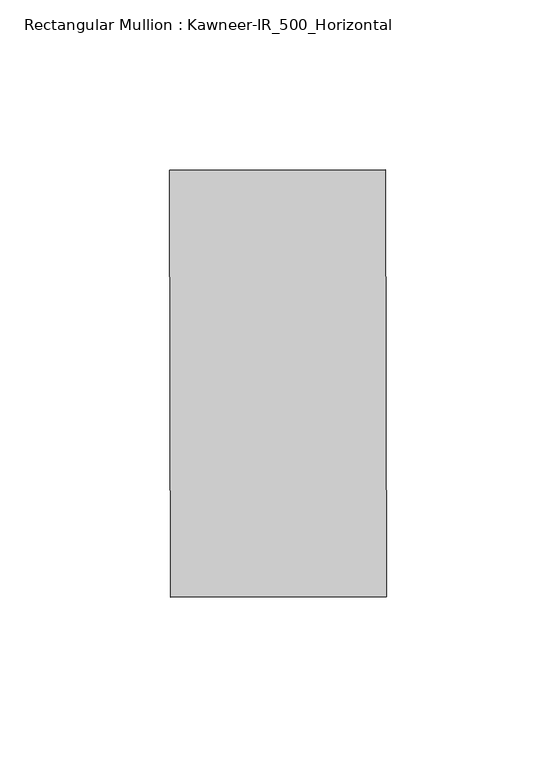
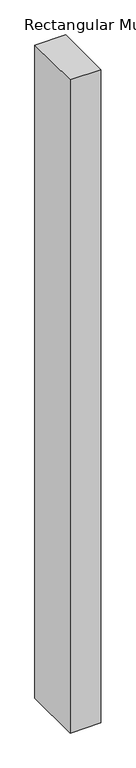
"""IFC4 building model written with IfcOpenShell, lengths in millimetres: member geometry, Rectangular Mullion : Kawneer-IR_500_Horizontal."""

from ifc_helpers import new_model, si_unit, frame, origin, place, context, project, spatial, polyline, outline, extrude, source, transform, mapped, element, save


def rectangular_mullion_kawneer_ir_500_horizontal_0c18af59(model_context):
    return source(origin(), model_context, "Body", "SweptSolid", [
        extrude(outline(polyline([(-33.2388559, 61.4605), (30.381294, 61.5821618), (30.6218262, -64.1984082), (-32.9983238, -64.32007), (-33.2388559, 61.4605)])), frame((0.0, 0.0, -1428.5696006), z_axis=(0.0, 0.0, 1.0), x_axis=(1.0, 0.0, 0.0)), (0.0, 0.0, 1.0), 1428.5696006),
    ])


if __name__ == "__main__":
    model = new_model("IFC4")
    model_context = context("Model", 3, world=origin())
    ifc_project = project(units=[si_unit("LENGTHUNIT", "METRE", prefix="MILLI")], contexts=[model_context])
    site = spatial("IfcSite", under=ifc_project)
    building = spatial("IfcBuilding", under=site)
    placement = place(None, origin())
    rectangular_mullion_kawneer_ir_500_horizontal_shape = rectangular_mullion_kawneer_ir_500_horizontal_0c18af59(model_context)
    element("IfcMember", 1, ObjectType="Rectangular Mullion : Kawneer-IR_500_Horizontal", at=placement, inside=building, context=model_context, shape_type="MappedRepresentation", body=[
        mapped(rectangular_mullion_kawneer_ir_500_horizontal_shape, transform((0.0, 0.0, 0.0), x_axis=(1.0, 0.0, 0.0), y_axis=(0.0, 1.0, 0.0), z_axis=(0.0, 0.0, 1.0))),
    ])
    save(model, "model.ifc")
